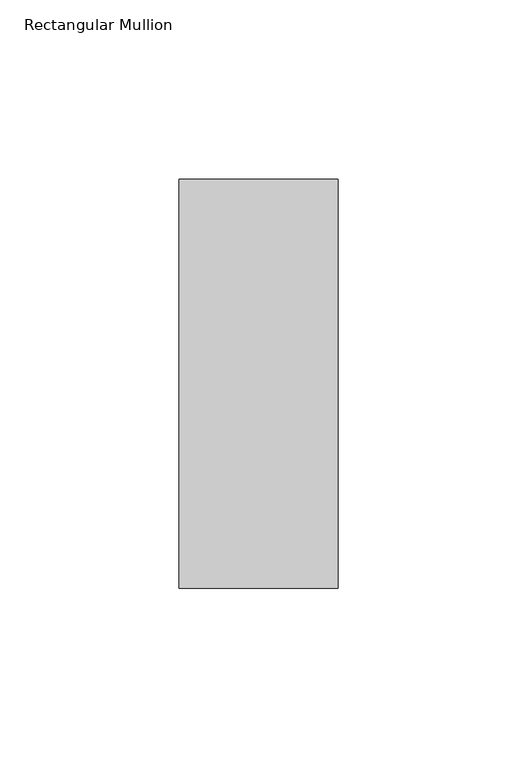
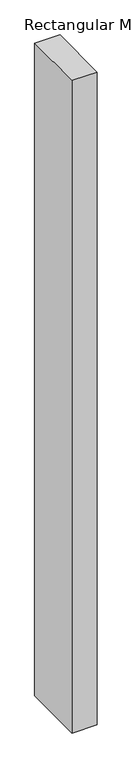
"""IFC4 building model written with IfcOpenShell, lengths in millimetres: member geometry, Rectangular Mullion."""

import ifcopenshell
import ifcopenshell.guid

model = None  # the IFC model being written
_history = None  # IfcOwnerHistory: only IFC2X3 demands one
_inside = {}  # id of a spatial element -> (the spatial element, [elements in it])
_under = {}  # id of a project, library or spatial element -> (it, [spatial elements below it])
_declared = {}  # id of a project -> (the project, [libraries it declares])
_typed = {}  # id of a type object -> (the type object, [elements of that type])
_made_of = {}  # id of a material, layer set ... -> (it, [elements and type objects made of it])


def new_model(schema):
    """Start an empty IFC model of exactly this schema.

    Asked for "IFC4X3", IfcOpenShell would pick the latest addendum, in which some entities
    have other attributes; the version numbers below select the first issue.
    IFC2X3 requires an IfcOwnerHistory on every rooted entity: one is made here for all.
    """
    global model, _history
    if schema == "IFC4X3":
        model = ifcopenshell.file(schema_version=(4, 3, 0, 0))
    else:
        model = ifcopenshell.file(schema=schema)
    _inside.clear()
    _under.clear()
    _declared.clear()
    _typed.clear()
    _made_of.clear()
    _history = None
    if model.schema == "IFC2X3":
        org = make("IfcOrganization", Name="unknown")
        user = make(
            "IfcPersonAndOrganization",
            ThePerson=make("IfcPerson", FamilyName="unknown"),
            TheOrganization=org,
        )
        app = make(
            "IfcApplication",
            ApplicationDeveloper=org,
            Version="unknown",
            ApplicationFullName="unknown",
            ApplicationIdentifier="unknown",
        )
        _history = make(
            "IfcOwnerHistory",
            OwningUser=user,
            OwningApplication=app,
            ChangeAction="ADDED",
            CreationDate=0,
        )
    return model


def make(cls, **values):
    """One entity of the class cls with the attributes given. An attribute that is None is left unset."""
    return model.create_entity(
        cls, **{name: value for name, value in values.items() if value is not None}
    )


def rooted(cls, **values):
    """An entity with a GlobalId (a new one), such as an element, a storey or a relation."""
    return make(cls, GlobalId=ifcopenshell.guid.new(), OwnerHistory=_history, **values)


def si_unit(unit_type, name, prefix=None):
    """IfcSIUnit, for example si_unit("LENGTHUNIT", "METRE", prefix="MILLI")."""
    return make("IfcSIUnit", UnitType=unit_type, Prefix=prefix, Name=name)


def assignment(units):
    """IfcUnitAssignment: the units of a project."""
    return None if units is None else make("IfcUnitAssignment", Units=units)


def point(xyz):
    """IfcCartesianPoint."""
    return None if xyz is None else make("IfcCartesianPoint", Coordinates=xyz)


def direction(xyz):
    """IfcDirection."""
    return None if xyz is None else make("IfcDirection", DirectionRatios=xyz)


def frame(location, z_axis=None, x_axis=None):
    """IfcAxis2Placement3D, a coordinate frame: its origin and axes. An axis left out is left unset."""
    return make(
        "IfcAxis2Placement3D",
        Location=point(location),
        Axis=direction(z_axis),
        RefDirection=direction(x_axis),
    )


def origin():
    """The frame at (0, 0, 0) with its axes left unset."""
    return frame((0.0, 0.0, 0.0))


def place(relative_to, where):
    """IfcLocalPlacement: puts the frame where relative to a parent placement (None: the world)."""
    return make(
        "IfcLocalPlacement", PlacementRelTo=relative_to, RelativePlacement=where
    )


def context(
    kind, dimensions, precision=None, world=None, true_north=None, identifier=None
):
    """IfcGeometricRepresentationContext, for example the 3D "Model" context."""
    return make(
        "IfcGeometricRepresentationContext",
        ContextIdentifier=identifier,
        ContextType=kind,
        CoordinateSpaceDimension=dimensions,
        Precision=precision,
        WorldCoordinateSystem=world,
        TrueNorth=true_north,
    )


def project(units=None, contexts=None):
    """IfcProject with its units and contexts."""
    return rooted(
        "IfcProject",
        Name="project",
        RepresentationContexts=contexts,
        UnitsInContext=assignment(units),
    )


def spatial(cls, under=None, at=None, **own):
    """A site, building, storey or space (cls), placed at a placement, below another one or the project."""
    s = rooted(cls, ObjectPlacement=at, **own)
    if under is not None:
        _under.setdefault(under.id(), (under, []))[1].append(s)
    return s


def polyline(points):
    """IfcPolyline through the points."""
    return make("IfcPolyline", Points=[point(p) for p in points])


def outline(outer, holes=None, kind="AREA"):
    """IfcArbitraryClosedProfileDef: a profile drawn as a closed curve; with holes, ...WithVoids."""
    if holes is None:
        return make("IfcArbitraryClosedProfileDef", ProfileType=kind, OuterCurve=outer)
    return make(
        "IfcArbitraryProfileDefWithVoids",
        ProfileType=kind,
        OuterCurve=outer,
        InnerCurves=holes,
    )


def extrude(swept, where, along, depth):
    """IfcExtrudedAreaSolid: the profile swept, set in the frame where, extruded along a direction by depth."""
    return make(
        "IfcExtrudedAreaSolid",
        SweptArea=swept,
        Position=where,
        ExtrudedDirection=direction(along),
        Depth=depth,
    )


def shape(context_of_items, identifier, shape_type, items):
    """IfcShapeRepresentation: the items that make up one representation, for example the "Body"."""
    return make(
        "IfcShapeRepresentation",
        ContextOfItems=context_of_items,
        RepresentationIdentifier=identifier,
        RepresentationType=shape_type,
        Items=items,
    )


def source(mapping_origin, context_of_items, identifier, shape_type, items):
    """IfcRepresentationMap: a shape defined once, which mapped items show again and again."""
    return make(
        "IfcRepresentationMap",
        MappingOrigin=mapping_origin,
        MappedRepresentation=shape(context_of_items, identifier, shape_type, items),
    )


def transform(
    local_origin,
    x_axis=None,
    y_axis=None,
    z_axis=None,
    scale=None,
    scale2=None,
    scale3=None,
    uniform=True,
):
    """IfcCartesianTransformationOperator3D, or its non-uniform kind. x_axis, y_axis, z_axis: its Axis1, 2, 3."""
    if uniform:
        return make(
            "IfcCartesianTransformationOperator3D",
            Axis1=direction(x_axis),
            Axis2=direction(y_axis),
            LocalOrigin=point(local_origin),
            Scale=scale,
            Axis3=direction(z_axis),
        )
    return make(
        "IfcCartesianTransformationOperator3DnonUniform",
        Axis1=direction(x_axis),
        Axis2=direction(y_axis),
        LocalOrigin=point(local_origin),
        Scale=scale,
        Axis3=direction(z_axis),
        Scale2=scale2,
        Scale3=scale3,
    )


def mapped(mapping_source, mapping_target):
    """IfcMappedItem: shows the shape of a source again, moved by a transform."""
    return make(
        "IfcMappedItem", MappingSource=mapping_source, MappingTarget=mapping_target
    )


def made_of(thing, what):
    """Note that an element or type object is made of a material, layer set ...; save() writes the relation."""
    if what is not None:
        _made_of.setdefault(what.id(), (what, []))[1].append(thing)
    return thing


def element(
    cls,
    number,
    at=None,
    inside=None,
    cuts=None,
    type_object=None,
    material=None,
    context=None,
    identifier="Body",
    shape_type=None,
    held_by="IfcProductDefinitionShape",
    body=None,
    shapes=None,
    **own,
):
    """One element of the class cls, such as IfcWall. Its Tag is "e" and its number.

    at: its placement. inside: the storey or other place that contains it. cuts: it is an
    opening in that element (IfcRelVoidsElement). A single representation is given by context,
    identifier, shape_type and body (its items); several are given by shapes. held_by: the class
    of the entity that holds the representations. save() writes the other relations.
    """
    e = rooted(cls, Tag="e%d" % number, ObjectPlacement=at, **own)
    if body is not None:
        shapes = [shape(context, identifier, shape_type, body)]
    if shapes is not None:
        e.Representation = make(held_by, Representations=shapes)
    if inside is not None:
        _inside.setdefault(inside.id(), (inside, []))[1].append(e)
    if cuts is not None:
        rooted(
            "IfcRelVoidsElement", RelatingBuildingElement=cuts, RelatedOpeningElement=e
        )
    if type_object is not None:
        _typed.setdefault(type_object.id(), (type_object, []))[1].append(e)
    return made_of(e, material)


def aggregate(whole, parts):
    """IfcRelAggregates: a whole, such as a stair, and the parts it consists of."""
    return rooted("IfcRelAggregates", RelatingObject=whole, RelatedObjects=parts)


def save(model, path):
    """Write the relations noted so far, then the file.

    IfcRelAggregates (storeys below a building ...), IfcRelContainedInSpatialStructure (elements
    in a storey), IfcRelDefinesByType, IfcRelAssociatesMaterial and IfcRelDeclares: one each for
    every whole, place, type object, material and project.
    """
    for whole, parts in _under.values():
        aggregate(whole, parts)
    for where, things in _inside.values():
        rooted(
            "IfcRelContainedInSpatialStructure",
            RelatedElements=things,
            RelatingStructure=where,
        )
    for kind, things in _typed.values():
        rooted("IfcRelDefinesByType", RelatedObjects=things, RelatingType=kind)
    for what, things in _made_of.values():
        rooted("IfcRelAssociatesMaterial", RelatedObjects=things, RelatingMaterial=what)
    for by, libraries in _declared.values():
        rooted("IfcRelDeclares", RelatingContext=by, RelatedDefinitions=libraries)
    model.write(path)


def rectangular_mullion_22b4ed0c(model_context):
    return source(origin(), model_context, "Body", "SweptSolid", [
        extrude(outline(polyline([(0.0, 57.1373), (0.0, -57.1373), (-44.45, -57.1373), (-44.45, 57.1373), (0.0, 57.1373)])), frame((0.0, 0.0, -1219.2), z_axis=(0.0, 0.0, 1.0), x_axis=(1.0, 0.0, 0.0)), (0.0, 0.0, 1.0), 1219.2),
    ])


if __name__ == "__main__":
    model = new_model("IFC4")
    model_context = context("Model", 3, world=origin())
    ifc_project = project(units=[si_unit("LENGTHUNIT", "METRE", prefix="MILLI")], contexts=[model_context])
    site = spatial("IfcSite", under=ifc_project)
    building = spatial("IfcBuilding", under=site)
    placement = place(None, origin())
    rectangular_mullion_shape = rectangular_mullion_22b4ed0c(model_context)
    element("IfcMember", 1, ObjectType="Rectangular Mullion", at=placement, inside=building, context=model_context, shape_type="MappedRepresentation", body=[
        mapped(rectangular_mullion_shape, transform((0.0, 0.0, 0.0), x_axis=(1.0, 0.0, 0.0), y_axis=(0.0, 1.0, 0.0), z_axis=(0.0, 0.0, 1.0))),
    ])
    save(model, "model.ifc")
